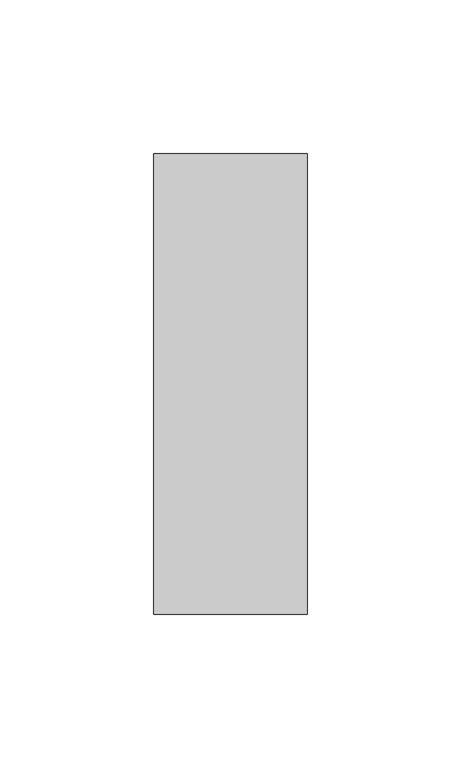
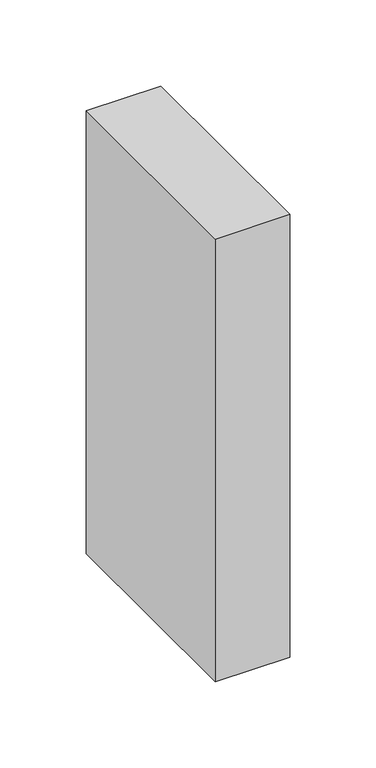
"""IFC4 building model written with IfcOpenShell, lengths in millimetres: member geometry."""

from ifc_helpers import new_model, si_unit, frame, origin, place, context, project, spatial, polyline, outline, extrude, source, transform, mapped, element, save


def member_3edf8f76(model_context):
    return source(origin(), model_context, "Body", "SweptSolid", [
        extrude(outline(polyline([(25.0, 75.0), (25.0, -75.0), (-25.0, -75.0), (-25.0, 75.0), (25.0, 75.0)])), frame((0.0, 0.0, -314.007607), z_axis=(0.0, 0.0, 1.0), x_axis=(1.0, 0.0, 0.0)), (0.0, 0.0, 1.0), 314.007607),
    ])


if __name__ == "__main__":
    model = new_model("IFC4")
    model_context = context("Model", 3, world=origin())
    ifc_project = project(units=[si_unit("LENGTHUNIT", "METRE", prefix="MILLI")], contexts=[model_context])
    site = spatial("IfcSite", under=ifc_project)
    building = spatial("IfcBuilding", under=site)
    placement = place(None, origin())
    member_shape = member_3edf8f76(model_context)
    element("IfcMember", 1, at=placement, inside=building, context=model_context, shape_type="MappedRepresentation", body=[
        mapped(member_shape, transform((0.0, 0.0, 0.0), x_axis=(1.0, 0.0, 0.0), y_axis=(0.0, 1.0, 0.0), z_axis=(0.0, 0.0, 1.0))),
    ])
    save(model, "model.ifc")
